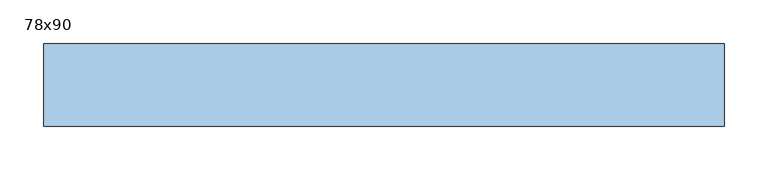
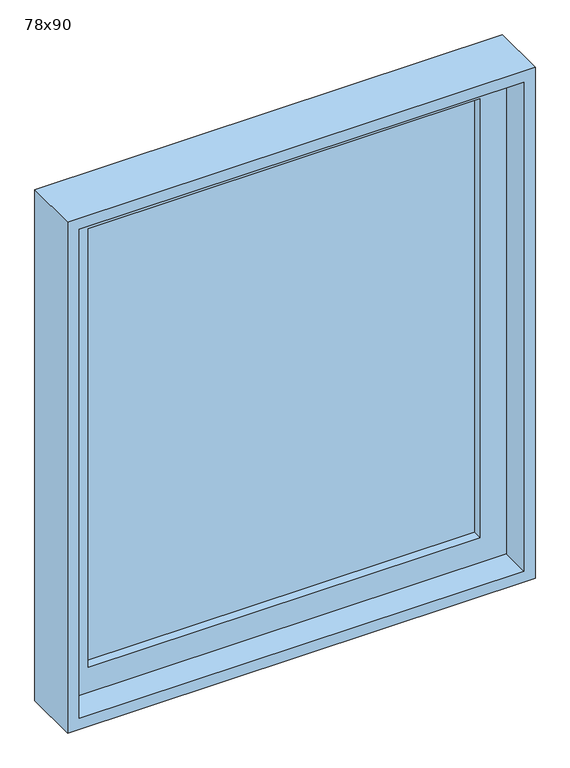
"""IFC4 building model written with IfcOpenShell, lengths in millimetres: window geometry, 78x90."""

from ifc_helpers import new_model, si_unit, frame, origin, place, context, project, spatial, polyline, outline, extrude, source, transform, mapped, element, save


def window_78x90_efc0d2a0(model_context):
    return source(origin(), model_context, "Body", "SweptSolid", [
        extrude(outline(polyline([(288.4, -81.425), (288.4, -94.125), (-364.6, -94.125), (-364.6, -81.425), (288.4, -81.425)])), frame((0.0, 0.0, 977.9), z_axis=(0.0, 0.0, 1.0), x_axis=(1.0, 0.0, 0.0)), (0.0, 0.0, 1.0), 773.0),
        extrude(outline(polyline([(1795.35, -409.05), (933.45, -409.05), (933.45, 332.85), (1795.35, 332.85), (1795.35, -409.05)]), holes=[polyline([(1750.9, -364.6), (1750.9, 288.4), (977.9, 288.4), (977.9, -364.6), (1750.9, -364.6)])]), frame((0.0, -110.0, 0.0), z_axis=(0.0, 1.0, 0.0), x_axis=(0.0, 0.0, 1.0)), (0.0, 0.0, 1.0), 44.45),
        extrude(outline(polyline([(1814.4, 351.9), (1814.4, -428.1), (914.4, -428.1), (914.4, 351.9), (1814.4, 351.9)]), holes=[polyline([(1795.35, 332.85), (933.45, 332.85), (933.45, -409.05), (1795.35, -409.05), (1795.35, 332.85)])]), frame((0.0, -160.0, 0.0), z_axis=(0.0, 1.0, 0.0), x_axis=(0.0, 0.0, 1.0)), (0.0, 0.0, 1.0), 94.45),
    ])


if __name__ == "__main__":
    model = new_model("IFC4")
    model_context = context("Model", 3, world=origin())
    ifc_project = project(units=[si_unit("LENGTHUNIT", "METRE", prefix="MILLI")], contexts=[model_context])
    site = spatial("IfcSite", under=ifc_project)
    building = spatial("IfcBuilding", under=site)
    placement = place(None, origin())
    window_78x90_shape = window_78x90_efc0d2a0(model_context)
    element("IfcWindow", 1, ObjectType="78x90", at=placement, inside=building, context=model_context, shape_type="MappedRepresentation", body=[
        mapped(window_78x90_shape, transform((0.0, 0.0, 0.0), x_axis=(1.0, 0.0, 0.0), y_axis=(0.0, 1.0, 0.0), z_axis=(0.0, 0.0, 1.0))),
    ])
    save(model, "model.ifc")
